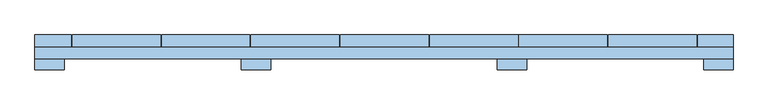
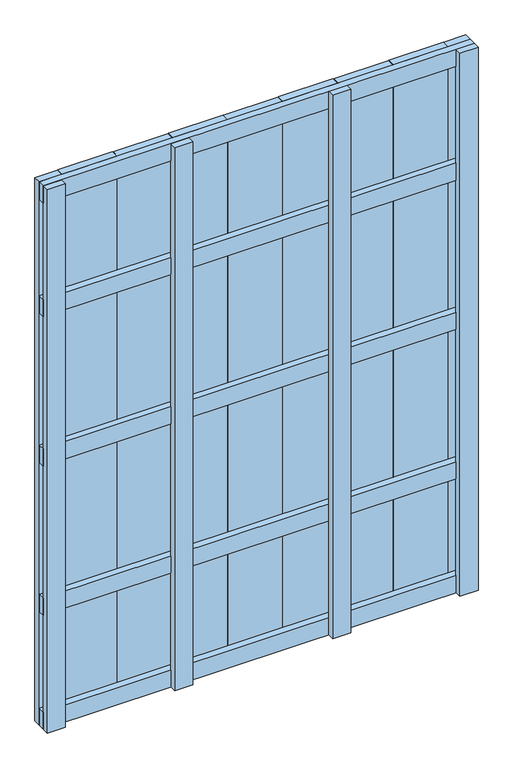
"""IFC4 building model written with IfcOpenShell, lengths in millimetres: window geometry."""

from ifc_helpers import new_model, si_unit, frame, origin, place, context, project, spatial, polyline, outline, extrude, source, transform, mapped, element, save


def window_4e6b3d22(model_context):
    return source(origin(), model_context, "Body", "SweptSolid", [
        extrude(outline(polyline([(750.0, 148.0), (750.0, 124.0), (-750.0, 124.0), (-750.0, 148.0), (750.0, 148.0)])), frame((0.0, 0.0, 1618.5), z_axis=(0.0, 0.0, 1.0), x_axis=(1.0, 0.0, 0.0)), (0.0, 0.0, 1.0), 63.0),
        extrude(outline(polyline([(750.0, 148.0), (750.0, 124.0), (-750.0, 124.0), (-750.0, 148.0), (750.0, 148.0)])), frame((0.0, 0.0, 1068.5), z_axis=(0.0, 0.0, 1.0), x_axis=(1.0, 0.0, 0.0)), (0.0, 0.0, 1.0), 63.0),
        extrude(outline(polyline([(750.0, 148.0), (750.0, 124.0), (-750.0, 124.0), (-750.0, 148.0), (750.0, 148.0)])), frame((0.0, 0.0, 518.5), z_axis=(0.0, 0.0, 1.0), x_axis=(1.0, 0.0, 0.0)), (0.0, 0.0, 1.0), 63.0),
        extrude(outline(polyline([(750.0, 148.0), (750.0, 124.0), (-750.0, 124.0), (-750.0, 148.0), (750.0, 148.0)])), frame((0.0, 0.0, 2037.0), z_axis=(0.0, 0.0, 1.0), x_axis=(1.0, 0.0, 0.0)), (0.0, 0.0, 1.0), 63.0),
        extrude(outline(polyline([(750.0, 148.0), (750.0, 124.0), (-750.0, 124.0), (-750.0, 148.0), (750.0, 148.0)])), frame((0.0, 0.0, 100.0), z_axis=(0.0, 0.0, 1.0), x_axis=(1.0, 0.0, 0.0)), (0.0, 0.0, 1.0), 63.0),
        extrude(outline(polyline([(-670.0, 175.0), (-480.0, 175.0), (-480.0, 148.0), (-670.0, 148.0), (-670.0, 175.0)])), frame((0.0, 0.0, 100.0), z_axis=(0.0, 0.0, 1.0), x_axis=(1.0, 0.0, 0.0)), (0.0, 0.0, 1.0), 2000.0),
        extrude(outline(polyline([(-478.0, 175.0), (-288.0, 175.0), (-288.0, 148.0), (-478.0, 148.0), (-478.0, 175.0)])), frame((0.0, 0.0, 100.0), z_axis=(0.0, 0.0, 1.0), x_axis=(1.0, 0.0, 0.0)), (0.0, 0.0, 1.0), 2000.0),
        extrude(outline(polyline([(-286.0, 175.0), (-96.0, 175.0), (-96.0, 148.0), (-286.0, 148.0), (-286.0, 175.0)])), frame((0.0, 0.0, 100.0), z_axis=(0.0, 0.0, 1.0), x_axis=(1.0, 0.0, 0.0)), (0.0, 0.0, 1.0), 2000.0),
        extrude(outline(polyline([(-94.0, 175.0), (96.0, 175.0), (96.0, 148.0), (-94.0, 148.0), (-94.0, 175.0)])), frame((0.0, 0.0, 100.0), z_axis=(0.0, 0.0, 1.0), x_axis=(1.0, 0.0, 0.0)), (0.0, 0.0, 1.0), 2000.0),
        extrude(outline(polyline([(98.0, 175.0), (288.0, 175.0), (288.0, 148.0), (98.0, 148.0), (98.0, 175.0)])), frame((0.0, 0.0, 100.0), z_axis=(0.0, 0.0, 1.0), x_axis=(1.0, 0.0, 0.0)), (0.0, 0.0, 1.0), 2000.0),
        extrude(outline(polyline([(290.0, 175.0), (480.0, 175.0), (480.0, 148.0), (290.0, 148.0), (290.0, 175.0)])), frame((0.0, 0.0, 100.0), z_axis=(0.0, 0.0, 1.0), x_axis=(1.0, 0.0, 0.0)), (0.0, 0.0, 1.0), 2000.0),
        extrude(outline(polyline([(482.0, 175.0), (672.0, 175.0), (672.0, 148.0), (482.0, 148.0), (482.0, 175.0)])), frame((0.0, 0.0, 100.0), z_axis=(0.0, 0.0, 1.0), x_axis=(1.0, 0.0, 0.0)), (0.0, 0.0, 1.0), 2000.0),
        extrude(outline(polyline([(-750.0, 175.0), (-672.0, 175.0), (-672.0, 148.0), (-750.0, 148.0), (-750.0, 175.0)])), frame((0.0, 0.0, 100.0), z_axis=(0.0, 0.0, 1.0), x_axis=(1.0, 0.0, 0.0)), (0.0, 0.0, 1.0), 2000.0),
        extrude(outline(polyline([(674.0, 175.0), (750.0, 175.0), (750.0, 148.0), (674.0, 148.0), (674.0, 175.0)])), frame((0.0, 0.0, 100.0), z_axis=(0.0, 0.0, 1.0), x_axis=(1.0, 0.0, 0.0)), (0.0, 0.0, 1.0), 2000.0),
        extrude(outline(polyline([(-306.5, 124.0), (-243.5, 124.0), (-243.5, 100.0), (-306.5, 100.0), (-306.5, 124.0)])), frame((0.0, 0.0, 100.0), z_axis=(0.0, 0.0, 1.0), x_axis=(1.0, 0.0, 0.0)), (0.0, 0.0, 1.0), 2000.0),
        extrude(outline(polyline([(243.5, 124.0), (306.5, 124.0), (306.5, 100.0), (243.5, 100.0), (243.5, 124.0)])), frame((0.0, 0.0, 100.0), z_axis=(0.0, 0.0, 1.0), x_axis=(1.0, 0.0, 0.0)), (0.0, 0.0, 1.0), 2000.0),
        extrude(outline(polyline([(-750.0, 124.0), (-687.0, 124.0), (-687.0, 100.0), (-750.0, 100.0), (-750.0, 124.0)])), frame((0.0, 0.0, 100.0), z_axis=(0.0, 0.0, 1.0), x_axis=(1.0, 0.0, 0.0)), (0.0, 0.0, 1.0), 2000.0),
        extrude(outline(polyline([(687.0, 124.0), (750.0, 124.0), (750.0, 100.0), (687.0, 100.0), (687.0, 124.0)])), frame((0.0, 0.0, 100.0), z_axis=(0.0, 0.0, 1.0), x_axis=(1.0, 0.0, 0.0)), (0.0, 0.0, 1.0), 2000.0),
    ])


if __name__ == "__main__":
    model = new_model("IFC4")
    model_context = context("Model", 3, world=origin())
    ifc_project = project(units=[si_unit("LENGTHUNIT", "METRE", prefix="MILLI")], contexts=[model_context])
    site = spatial("IfcSite", under=ifc_project)
    building = spatial("IfcBuilding", under=site)
    placement = place(None, origin())
    window_shape = window_4e6b3d22(model_context)
    element("IfcWindow", 1, at=placement, inside=building, context=model_context, shape_type="MappedRepresentation", body=[
        mapped(window_shape, transform((0.0, 0.0, 0.0), x_axis=(1.0, 0.0, 0.0), y_axis=(0.0, 1.0, 0.0), z_axis=(0.0, 0.0, 1.0))),
    ])
    save(model, "model.ifc")
